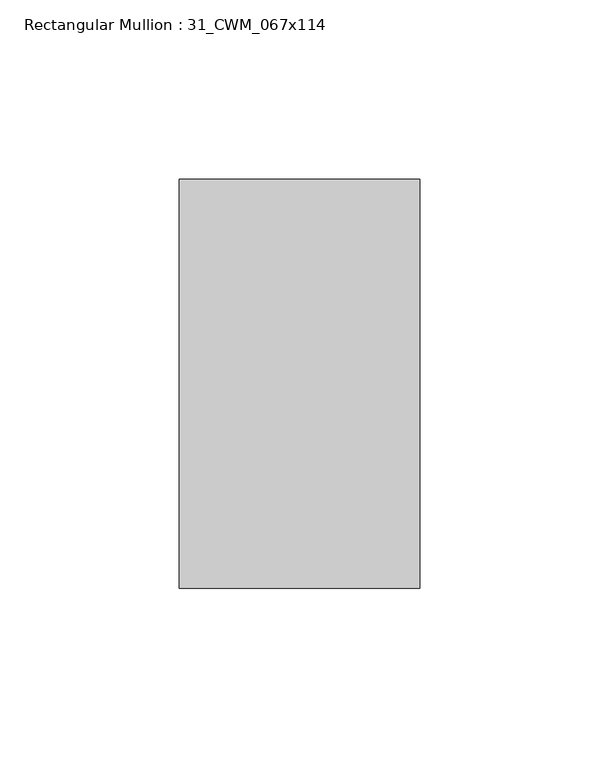
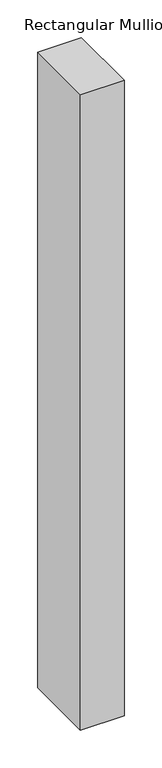
"""IFC4 building model written with IfcOpenShell, lengths in millimetres: member geometry, Rectangular Mullion : 31_CWM_067x114."""

from ifc_helpers import new_model, si_unit, frame, origin, place, context, project, spatial, polyline, outline, extrude, source, transform, mapped, element, save


def rectangular_mullion_31_cwm_067x114_2b62d962(model_context):
    return source(origin(), model_context, "Body", "SweptSolid", [
        extrude(outline(polyline([(33.5, 0.0), (33.5, -114.0), (-33.5, -114.0), (-33.5, 0.0), (33.5, 0.0)])), frame((0.0, 0.0, -1033.0), z_axis=(0.0, 0.0, 1.0), x_axis=(1.0, 0.0, 0.0)), (0.0, 0.0, 1.0), 1033.0),
    ])


if __name__ == "__main__":
    model = new_model("IFC4")
    model_context = context("Model", 3, world=origin())
    ifc_project = project(units=[si_unit("LENGTHUNIT", "METRE", prefix="MILLI")], contexts=[model_context])
    site = spatial("IfcSite", under=ifc_project)
    building = spatial("IfcBuilding", under=site)
    placement = place(None, origin())
    rectangular_mullion_31_cwm_067x114_shape = rectangular_mullion_31_cwm_067x114_2b62d962(model_context)
    element("IfcMember", 1, ObjectType="Rectangular Mullion : 31_CWM_067x114", at=placement, inside=building, context=model_context, shape_type="MappedRepresentation", body=[
        mapped(rectangular_mullion_31_cwm_067x114_shape, transform((0.0, 0.0, 0.0), x_axis=(1.0, 0.0, 0.0), y_axis=(0.0, 1.0, 0.0), z_axis=(0.0, 0.0, 1.0))),
    ])
    save(model, "model.ifc")
